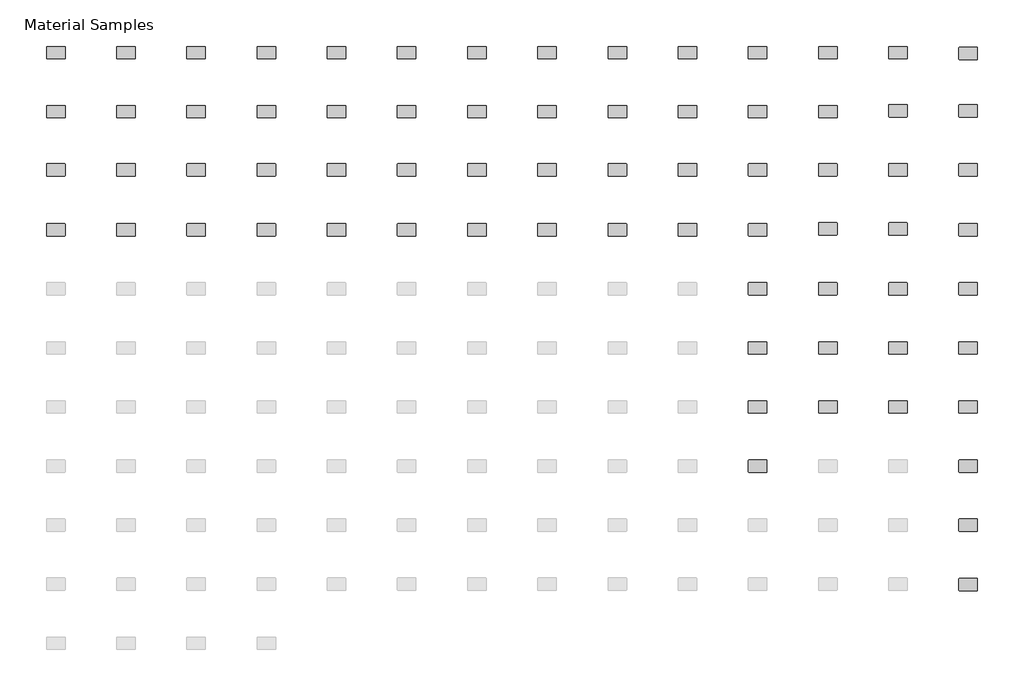
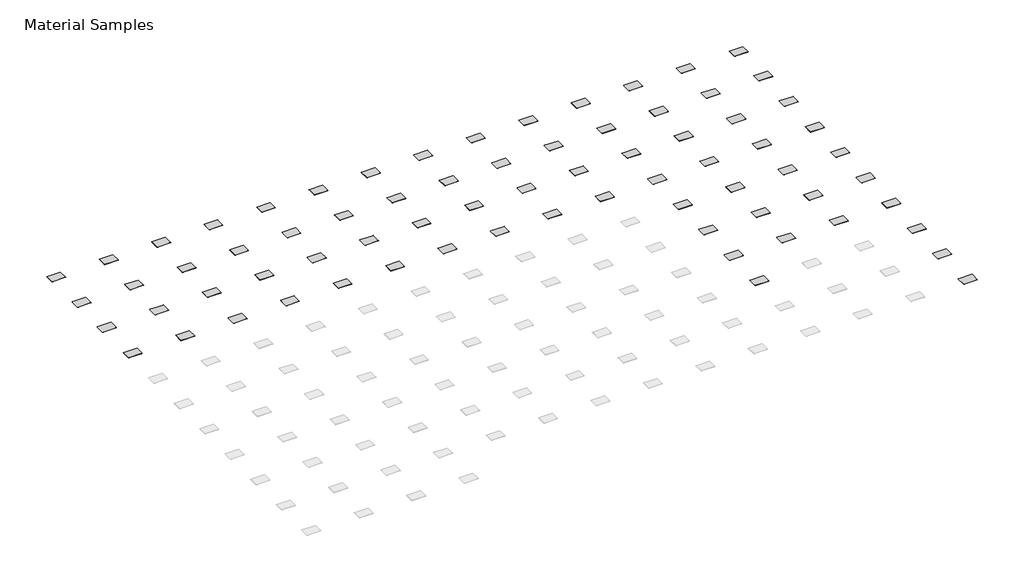
# One storey, part 2 of 2: 72 furniture elements.
"""IFC4 building model written with IfcOpenShell, lengths in millimetres."""

import ifcopenshell
import ifcopenshell.guid

model = None  # the IFC model being written
_history = None  # IfcOwnerHistory: only IFC2X3 demands one
_inside = {}  # id of a spatial element -> (the spatial element, [elements in it])
_under = {}  # id of a project, library or spatial element -> (it, [spatial elements below it])
_declared = {}  # id of a project -> (the project, [libraries it declares])
_typed = {}  # id of a type object -> (the type object, [elements of that type])
_made_of = {}  # id of a material, layer set ... -> (it, [elements and type objects made of it])


def new_model(schema):
    """Start an empty IFC model of exactly this schema.

    Asked for "IFC4X3", IfcOpenShell would pick the latest addendum, in which some entities
    have other attributes; the version numbers below select the first issue.
    IFC2X3 requires an IfcOwnerHistory on every rooted entity: one is made here for all.
    """
    global model, _history
    if schema == "IFC4X3":
        model = ifcopenshell.file(schema_version=(4, 3, 0, 0))
    else:
        model = ifcopenshell.file(schema=schema)
    _inside.clear()
    _under.clear()
    _declared.clear()
    _typed.clear()
    _made_of.clear()
    _history = None
    if model.schema == "IFC2X3":
        org = make("IfcOrganization", Name="unknown")
        user = make(
            "IfcPersonAndOrganization",
            ThePerson=make("IfcPerson", FamilyName="unknown"),
            TheOrganization=org,
        )
        app = make(
            "IfcApplication",
            ApplicationDeveloper=org,
            Version="unknown",
            ApplicationFullName="unknown",
            ApplicationIdentifier="unknown",
        )
        _history = make(
            "IfcOwnerHistory",
            OwningUser=user,
            OwningApplication=app,
            ChangeAction="ADDED",
            CreationDate=0,
        )
    return model


def make(cls, **values):
    """One entity of the class cls with the attributes given. An attribute that is None is left unset."""
    return model.create_entity(
        cls, **{name: value for name, value in values.items() if value is not None}
    )


def rooted(cls, **values):
    """An entity with a GlobalId (a new one), such as an element, a storey or a relation."""
    return make(cls, GlobalId=ifcopenshell.guid.new(), OwnerHistory=_history, **values)


def si_unit(unit_type, name, prefix=None):
    """IfcSIUnit, for example si_unit("LENGTHUNIT", "METRE", prefix="MILLI")."""
    return make("IfcSIUnit", UnitType=unit_type, Prefix=prefix, Name=name)


def assignment(units):
    """IfcUnitAssignment: the units of a project."""
    return None if units is None else make("IfcUnitAssignment", Units=units)


def point(xyz):
    """IfcCartesianPoint."""
    return None if xyz is None else make("IfcCartesianPoint", Coordinates=xyz)


def direction(xyz):
    """IfcDirection."""
    return None if xyz is None else make("IfcDirection", DirectionRatios=xyz)


def frame(location, z_axis=None, x_axis=None):
    """IfcAxis2Placement3D, a coordinate frame: its origin and axes. An axis left out is left unset."""
    return make(
        "IfcAxis2Placement3D",
        Location=point(location),
        Axis=direction(z_axis),
        RefDirection=direction(x_axis),
    )


def frame_2d(location, x_axis=None):
    """IfcAxis2Placement2D, a coordinate frame in the plane: its origin and x axis."""
    return make(
        "IfcAxis2Placement2D", Location=point(location), RefDirection=direction(x_axis)
    )


def origin():
    """The frame at (0, 0, 0) with its axes left unset."""
    return frame((0.0, 0.0, 0.0))


def place(relative_to, where):
    """IfcLocalPlacement: puts the frame where relative to a parent placement (None: the world)."""
    return make(
        "IfcLocalPlacement", PlacementRelTo=relative_to, RelativePlacement=where
    )


def context(
    kind, dimensions, precision=None, world=None, true_north=None, identifier=None
):
    """IfcGeometricRepresentationContext, for example the 3D "Model" context."""
    return make(
        "IfcGeometricRepresentationContext",
        ContextIdentifier=identifier,
        ContextType=kind,
        CoordinateSpaceDimension=dimensions,
        Precision=precision,
        WorldCoordinateSystem=world,
        TrueNorth=true_north,
    )


def project(units=None, contexts=None):
    """IfcProject with its units and contexts."""
    return rooted(
        "IfcProject",
        Name="project",
        RepresentationContexts=contexts,
        UnitsInContext=assignment(units),
    )


def spatial(cls, under=None, at=None, **own):
    """A site, building, storey or space (cls), placed at a placement, below another one or the project."""
    s = rooted(cls, ObjectPlacement=at, **own)
    if under is not None:
        _under.setdefault(under.id(), (under, []))[1].append(s)
    return s


def polyline(points):
    """IfcPolyline through the points."""
    return make("IfcPolyline", Points=[point(p) for p in points])


def circle_curve(where, radius):
    """IfcCircle in the frame where."""
    return make("IfcCircle", Position=where, Radius=radius)


def trimmed(basis, trim1, trim2, sense, master):
    """IfcTrimmedCurve: the piece of a basis curve between two trims."""
    return make(
        "IfcTrimmedCurve",
        BasisCurve=basis,
        Trim1=trim1,
        Trim2=trim2,
        SenseAgreement=sense,
        MasterRepresentation=master,
    )


def segment(curve, same_sense, transition):
    """IfcCompositeCurveSegment."""
    return make(
        "IfcCompositeCurveSegment",
        Transition=transition,
        SameSense=same_sense,
        ParentCurve=curve,
    )


def composite_curve(segments, self_intersect=None):
    """IfcCompositeCurve: segments joined end to end."""
    return make("IfcCompositeCurve", Segments=segments, SelfIntersect=self_intersect)


def outline(outer, holes=None, kind="AREA"):
    """IfcArbitraryClosedProfileDef: a profile drawn as a closed curve; with holes, ...WithVoids."""
    if holes is None:
        return make("IfcArbitraryClosedProfileDef", ProfileType=kind, OuterCurve=outer)
    return make(
        "IfcArbitraryProfileDefWithVoids",
        ProfileType=kind,
        OuterCurve=outer,
        InnerCurves=holes,
    )


def extrude(swept, where, along, depth):
    """IfcExtrudedAreaSolid: the profile swept, set in the frame where, extruded along a direction by depth."""
    return make(
        "IfcExtrudedAreaSolid",
        SweptArea=swept,
        Position=where,
        ExtrudedDirection=direction(along),
        Depth=depth,
    )


def shape(context_of_items, identifier, shape_type, items):
    """IfcShapeRepresentation: the items that make up one representation, for example the "Body"."""
    return make(
        "IfcShapeRepresentation",
        ContextOfItems=context_of_items,
        RepresentationIdentifier=identifier,
        RepresentationType=shape_type,
        Items=items,
    )


def source(mapping_origin, context_of_items, identifier, shape_type, items):
    """IfcRepresentationMap: a shape defined once, which mapped items show again and again."""
    return make(
        "IfcRepresentationMap",
        MappingOrigin=mapping_origin,
        MappedRepresentation=shape(context_of_items, identifier, shape_type, items),
    )


def transform(
    local_origin,
    x_axis=None,
    y_axis=None,
    z_axis=None,
    scale=None,
    scale2=None,
    scale3=None,
    uniform=True,
):
    """IfcCartesianTransformationOperator3D, or its non-uniform kind. x_axis, y_axis, z_axis: its Axis1, 2, 3."""
    if uniform:
        return make(
            "IfcCartesianTransformationOperator3D",
            Axis1=direction(x_axis),
            Axis2=direction(y_axis),
            LocalOrigin=point(local_origin),
            Scale=scale,
            Axis3=direction(z_axis),
        )
    return make(
        "IfcCartesianTransformationOperator3DnonUniform",
        Axis1=direction(x_axis),
        Axis2=direction(y_axis),
        LocalOrigin=point(local_origin),
        Scale=scale,
        Axis3=direction(z_axis),
        Scale2=scale2,
        Scale3=scale3,
    )


def mapped(mapping_source, mapping_target):
    """IfcMappedItem: shows the shape of a source again, moved by a transform."""
    return make(
        "IfcMappedItem", MappingSource=mapping_source, MappingTarget=mapping_target
    )


def made_of(thing, what):
    """Note that an element or type object is made of a material, layer set ...; save() writes the relation."""
    if what is not None:
        _made_of.setdefault(what.id(), (what, []))[1].append(thing)
    return thing


def element(
    cls,
    number,
    at=None,
    inside=None,
    cuts=None,
    type_object=None,
    material=None,
    context=None,
    identifier="Body",
    shape_type=None,
    held_by="IfcProductDefinitionShape",
    body=None,
    shapes=None,
    **own,
):
    """One element of the class cls, such as IfcWall. Its Tag is "e" and its number.

    at: its placement. inside: the storey or other place that contains it. cuts: it is an
    opening in that element (IfcRelVoidsElement). A single representation is given by context,
    identifier, shape_type and body (its items); several are given by shapes. held_by: the class
    of the entity that holds the representations. save() writes the other relations.
    """
    e = rooted(cls, Tag="e%d" % number, ObjectPlacement=at, **own)
    if body is not None:
        shapes = [shape(context, identifier, shape_type, body)]
    if shapes is not None:
        e.Representation = make(held_by, Representations=shapes)
    if inside is not None:
        _inside.setdefault(inside.id(), (inside, []))[1].append(e)
    if cuts is not None:
        rooted(
            "IfcRelVoidsElement", RelatingBuildingElement=cuts, RelatedOpeningElement=e
        )
    if type_object is not None:
        _typed.setdefault(type_object.id(), (type_object, []))[1].append(e)
    return made_of(e, material)


def aggregate(whole, parts):
    """IfcRelAggregates: a whole, such as a stair, and the parts it consists of."""
    return rooted("IfcRelAggregates", RelatingObject=whole, RelatedObjects=parts)


def save(model, path):
    """Write the relations noted so far, then the file.

    IfcRelAggregates (storeys below a building ...), IfcRelContainedInSpatialStructure (elements
    in a storey), IfcRelDefinesByType, IfcRelAssociatesMaterial and IfcRelDeclares: one each for
    every whole, place, type object, material and project.
    """
    for whole, parts in _under.values():
        aggregate(whole, parts)
    for where, things in _inside.values():
        rooted(
            "IfcRelContainedInSpatialStructure",
            RelatedElements=things,
            RelatingStructure=where,
        )
    for kind, things in _typed.values():
        rooted("IfcRelDefinesByType", RelatedObjects=things, RelatingType=kind)
    for what, things in _made_of.values():
        rooted("IfcRelAssociatesMaterial", RelatedObjects=things, RelatingMaterial=what)
    for by, libraries in _declared.values():
        rooted("IfcRelDeclares", RelatingContext=by, RelatedDefinitions=libraries)
    model.write(path)


def furniture_2008_material_sample3_2x3x1_8_96bf408c(model_context):
    return source(origin(), model_context, "Body", "SweptSolid", [
        extrude(outline(composite_curve([segment(trimmed(circle_curve(frame_2d((21215.2392185, 10811.8982463)), 6.35), [point((21215.2392185, 10818.2482463))], [point((21221.5892185, 10811.8982463))], False, "CARTESIAN"), True, "CONTINUOUS"), segment(polyline([(21221.5892185, 10811.8982463), (21221.5892185, 10570.5982463)]), True, "CONTINUOUS"), segment(trimmed(circle_curve(frame_2d((21215.2392185, 10570.5982463)), 6.35), [point((21221.5892185, 10570.5982463))], [point((21215.2392185, 10564.2482463))], False, "CARTESIAN"), True, "CONTINUOUS"), segment(polyline([(21215.2392185, 10564.2482463), (20846.9392185, 10564.2482463)]), True, "CONTINUOUS"), segment(trimmed(circle_curve(frame_2d((20846.9392185, 10570.5982463)), 6.35), [point((20846.9392185, 10564.2482463))], [point((20840.5892185, 10570.5982463))], False, "CARTESIAN"), True, "CONTINUOUS"), segment(polyline([(20840.5892185, 10570.5982463), (20840.5892185, 10811.8982463)]), True, "CONTINUOUS"), segment(trimmed(circle_curve(frame_2d((20846.9392185, 10811.8982463)), 6.35), [point((20840.5892185, 10811.8982463))], [point((20846.9392185, 10818.2482463))], False, "CARTESIAN"), True, "CONTINUOUS"), segment(polyline([(20846.9392185, 10818.2482463), (21215.2392185, 10818.2482463)]), True, "CONTINUOUS")], self_intersect=False)), frame((0.0, 0.0, -3.175), z_axis=(0.0, 0.0, 1.0), x_axis=(1.0, 0.0, 0.0)), (0.0, 0.0, 1.0), 3.175),
    ])


model = new_model("IFC4")

# Units and contexts
model_context = context("Model", 3, world=origin())
ifc_project = project(units=[si_unit("LENGTHUNIT", "METRE", prefix="MILLI")], contexts=[model_context])

# Site, building, storey
site = spatial("IfcSite", under=ifc_project)
building = spatial("IfcBuilding", under=site)
storey = spatial("IfcBuildingStorey", under=building, Name="Material Samples", Elevation=0.0)

# Furniture
placement = place(None, origin())
furniture_2008_material_sample3_2x3x1_8_shape = furniture_2008_material_sample3_2x3x1_8_96bf408c(model_context)
element("IfcFurniture", 1, ObjectType="2008_Material Sample3 : 2x3x1/8", at=placement, inside=storey, context=model_context, shape_type="MappedRepresentation", body=[
    mapped(furniture_2008_material_sample3_2x3x1_8_shape, transform((-41929.8143121, 3848.1724709, 25.4), x_axis=(1.0, 0.0, 0.0), y_axis=(0.0, 1.0, 0.0), z_axis=(0.0, 0.0, 1.0))),
])
element("IfcFurniture", 2, ObjectType="2008_Material Sample3 : 2x3x1/8", at=placement, inside=storey, context=model_context, shape_type="MappedRepresentation", body=[
    mapped(furniture_2008_material_sample3_2x3x1_8_shape, transform((-40482.0143121, 3848.1724709, 25.4), x_axis=(1.0, 0.0, 0.0), y_axis=(0.0, 1.0, 0.0), z_axis=(0.0, 0.0, 1.0))),
])
element("IfcFurniture", 3, ObjectType="2008_Material Sample3 : 2x3x1/8", at=placement, inside=storey, context=model_context, shape_type="MappedRepresentation", body=[
    mapped(furniture_2008_material_sample3_2x3x1_8_shape, transform((-39034.2143121, 3848.1724709, 25.4), x_axis=(1.0, 0.0, 0.0), y_axis=(0.0, 1.0, 0.0), z_axis=(0.0, 0.0, 1.0))),
])
element("IfcFurniture", 4, ObjectType="2008_Material Sample3 : 2x3x1/8", at=placement, inside=storey, context=model_context, shape_type="MappedRepresentation", body=[
    mapped(furniture_2008_material_sample3_2x3x1_8_shape, transform((-37586.4143121, 3848.1724709, 25.4), x_axis=(1.0, 0.0, 0.0), y_axis=(0.0, 1.0, 0.0), z_axis=(0.0, 0.0, 1.0))),
])
element("IfcFurniture", 5, ObjectType="2008_Material Sample3 : 2x3x1/8", at=placement, inside=storey, context=model_context, shape_type="MappedRepresentation", body=[
    mapped(furniture_2008_material_sample3_2x3x1_8_shape, transform((-36138.6143121, 3848.1724709, 25.4), x_axis=(1.0, 0.0, 0.0), y_axis=(0.0, 1.0, 0.0), z_axis=(0.0, 0.0, 1.0))),
])
element("IfcFurniture", 6, ObjectType="2008_Material Sample3 : 2x3x1/8", at=placement, inside=storey, context=model_context, shape_type="MappedRepresentation", body=[
    mapped(furniture_2008_material_sample3_2x3x1_8_shape, transform((-34690.8143121, 3848.1724709, 25.4), x_axis=(1.0, 0.0, 0.0), y_axis=(0.0, 1.0, 0.0), z_axis=(0.0, 0.0, 1.0))),
])
element("IfcFurniture", 7, ObjectType="2008_Material Sample3 : 2x3x1/8", at=placement, inside=storey, context=model_context, shape_type="MappedRepresentation", body=[
    mapped(furniture_2008_material_sample3_2x3x1_8_shape, transform((-33243.0143121, 3848.1724709, 25.4), x_axis=(1.0, 0.0, 0.0), y_axis=(0.0, 1.0, 0.0), z_axis=(0.0, 0.0, 1.0))),
])
element("IfcFurniture", 8, ObjectType="2008_Material Sample3 : 2x3x1/8", at=placement, inside=storey, context=model_context, shape_type="MappedRepresentation", body=[
    mapped(furniture_2008_material_sample3_2x3x1_8_shape, transform((-31795.2143121, 3848.1724709, 25.4), x_axis=(1.0, 0.0, 0.0), y_axis=(0.0, 1.0, 0.0), z_axis=(0.0, 0.0, 1.0))),
])
element("IfcFurniture", 9, ObjectType="2008_Material Sample3 : 2x3x1/8", at=placement, inside=storey, context=model_context, shape_type="MappedRepresentation", body=[
    mapped(furniture_2008_material_sample3_2x3x1_8_shape, transform((-30347.4143121, 3848.1724709, 25.4), x_axis=(1.0, 0.0, 0.0), y_axis=(0.0, 1.0, 0.0), z_axis=(0.0, 0.0, 1.0))),
])
element("IfcFurniture", 10, ObjectType="2008_Material Sample3 : 2x3x1/8", at=placement, inside=storey, context=model_context, shape_type="MappedRepresentation", body=[
    mapped(furniture_2008_material_sample3_2x3x1_8_shape, transform((-28899.6143121, 3848.1724709, 25.4), x_axis=(1.0, 0.0, 0.0), y_axis=(0.0, 1.0, 0.0), z_axis=(0.0, 0.0, 1.0))),
])
element("IfcFurniture", 11, ObjectType="2008_Material Sample3 : 2x3x1/8", at=placement, inside=storey, context=model_context, shape_type="MappedRepresentation", body=[
    mapped(furniture_2008_material_sample3_2x3x1_8_shape, transform((-27451.8143121, 3848.1724709, 25.4), x_axis=(1.0, 0.0, 0.0), y_axis=(0.0, 1.0, 0.0), z_axis=(0.0, 0.0, 1.0))),
])
element("IfcFurniture", 12, ObjectType="2008_Material Sample3 : 2x3x1/8", at=placement, inside=storey, context=model_context, shape_type="MappedRepresentation", body=[
    mapped(furniture_2008_material_sample3_2x3x1_8_shape, transform((-26004.0143121, 3848.1724709, 25.4), x_axis=(1.0, 0.0, 0.0), y_axis=(0.0, 1.0, 0.0), z_axis=(0.0, 0.0, 1.0))),
])
element("IfcFurniture", 13, ObjectType="2008_Material Sample3 : 2x3x1/8", at=placement, inside=storey, context=model_context, shape_type="MappedRepresentation", body=[
    mapped(furniture_2008_material_sample3_2x3x1_8_shape, transform((-24556.2143121, 3848.1724709, 25.4), x_axis=(1.0, 0.0, 0.0), y_axis=(0.0, 1.0, 0.0), z_axis=(0.0, 0.0, 1.0))),
])
element("IfcFurniture", 14, ObjectType="2008_Material Sample3 : 2x3x1/8", at=placement, inside=storey, context=model_context, shape_type="MappedRepresentation", body=[
    mapped(furniture_2008_material_sample3_2x3x1_8_shape, transform((-23108.4143121, 3829.1224709, 25.4), x_axis=(1.0, 0.0, 0.0), y_axis=(0.0, 1.0, 0.0), z_axis=(0.0, 0.0, 1.0))),
])
element("IfcFurniture", 15, ObjectType="2008_Material Sample3 : 2x3x1/8", at=placement, inside=storey, context=model_context, shape_type="MappedRepresentation", body=[
    mapped(furniture_2008_material_sample3_2x3x1_8_shape, transform((-41929.8143121, 2628.9724709, 25.4), x_axis=(1.0, 0.0, 0.0), y_axis=(0.0, 1.0, 0.0), z_axis=(0.0, 0.0, 1.0))),
])
element("IfcFurniture", 16, ObjectType="2008_Material Sample3 : 2x3x1/8", at=placement, inside=storey, context=model_context, shape_type="MappedRepresentation", body=[
    mapped(furniture_2008_material_sample3_2x3x1_8_shape, transform((-40482.0143121, 2628.9724709, 25.4), x_axis=(1.0, 0.0, 0.0), y_axis=(0.0, 1.0, 0.0), z_axis=(0.0, 0.0, 1.0))),
])
element("IfcFurniture", 17, ObjectType="2008_Material Sample3 : 2x3x1/8", at=placement, inside=storey, context=model_context, shape_type="MappedRepresentation", body=[
    mapped(furniture_2008_material_sample3_2x3x1_8_shape, transform((-39034.2143121, 2628.9724709, 25.4), x_axis=(1.0, 0.0, 0.0), y_axis=(0.0, 1.0, 0.0), z_axis=(0.0, 0.0, 1.0))),
])
element("IfcFurniture", 18, ObjectType="2008_Material Sample3 : 2x3x1/8", at=placement, inside=storey, context=model_context, shape_type="MappedRepresentation", body=[
    mapped(furniture_2008_material_sample3_2x3x1_8_shape, transform((-37586.4143121, 2628.9724709, 25.4), x_axis=(1.0, 0.0, 0.0), y_axis=(0.0, 1.0, 0.0), z_axis=(0.0, 0.0, 1.0))),
])
element("IfcFurniture", 19, ObjectType="2008_Material Sample3 : 2x3x1/8", at=placement, inside=storey, context=model_context, shape_type="MappedRepresentation", body=[
    mapped(furniture_2008_material_sample3_2x3x1_8_shape, transform((-36138.6143121, 2628.9724709, 25.4), x_axis=(1.0, 0.0, 0.0), y_axis=(0.0, 1.0, 0.0), z_axis=(0.0, 0.0, 1.0))),
])
element("IfcFurniture", 20, ObjectType="2008_Material Sample3 : 2x3x1/8", at=placement, inside=storey, context=model_context, shape_type="MappedRepresentation", body=[
    mapped(furniture_2008_material_sample3_2x3x1_8_shape, transform((-34690.8143121, 2628.9724709, 25.4), x_axis=(1.0, 0.0, 0.0), y_axis=(0.0, 1.0, 0.0), z_axis=(0.0, 0.0, 1.0))),
])
element("IfcFurniture", 21, ObjectType="2008_Material Sample3 : 2x3x1/8", at=placement, inside=storey, context=model_context, shape_type="MappedRepresentation", body=[
    mapped(furniture_2008_material_sample3_2x3x1_8_shape, transform((-33243.0143121, 2628.9724709, 25.4), x_axis=(1.0, 0.0, 0.0), y_axis=(0.0, 1.0, 0.0), z_axis=(0.0, 0.0, 1.0))),
])
element("IfcFurniture", 22, ObjectType="2008_Material Sample3 : 2x3x1/8", at=placement, inside=storey, context=model_context, shape_type="MappedRepresentation", body=[
    mapped(furniture_2008_material_sample3_2x3x1_8_shape, transform((-31795.2143121, 2628.9724709, 25.4), x_axis=(1.0, 0.0, 0.0), y_axis=(0.0, 1.0, 0.0), z_axis=(0.0, 0.0, 1.0))),
])
element("IfcFurniture", 23, ObjectType="2008_Material Sample3 : 2x3x1/8", at=placement, inside=storey, context=model_context, shape_type="MappedRepresentation", body=[
    mapped(furniture_2008_material_sample3_2x3x1_8_shape, transform((-30347.4143121, 2628.9724709, 25.4), x_axis=(1.0, 0.0, 0.0), y_axis=(0.0, 1.0, 0.0), z_axis=(0.0, 0.0, 1.0))),
])
element("IfcFurniture", 24, ObjectType="2008_Material Sample3 : 2x3x1/8", at=placement, inside=storey, context=model_context, shape_type="MappedRepresentation", body=[
    mapped(furniture_2008_material_sample3_2x3x1_8_shape, transform((-28899.6143121, 2628.9724709, 25.4), x_axis=(1.0, 0.0, 0.0), y_axis=(0.0, 1.0, 0.0), z_axis=(0.0, 0.0, 1.0))),
])
element("IfcFurniture", 25, ObjectType="2008_Material Sample3 : 2x3x1/8", at=placement, inside=storey, context=model_context, shape_type="MappedRepresentation", body=[
    mapped(furniture_2008_material_sample3_2x3x1_8_shape, transform((-27451.8143121, 2628.9724709, 25.4), x_axis=(1.0, 0.0, 0.0), y_axis=(0.0, 1.0, 0.0), z_axis=(0.0, 0.0, 1.0))),
])
element("IfcFurniture", 26, ObjectType="2008_Material Sample3 : 2x3x1/8", at=placement, inside=storey, context=model_context, shape_type="MappedRepresentation", body=[
    mapped(furniture_2008_material_sample3_2x3x1_8_shape, transform((-26004.0143121, 2628.9724709, 25.4), x_axis=(1.0, 0.0, 0.0), y_axis=(0.0, 1.0, 0.0), z_axis=(0.0, 0.0, 1.0))),
])
element("IfcFurniture", 27, ObjectType="2008_Material Sample3 : 2x3x1/8", at=placement, inside=storey, context=model_context, shape_type="MappedRepresentation", body=[
    mapped(furniture_2008_material_sample3_2x3x1_8_shape, transform((-24556.3250935, 2648.0224709, 25.4), x_axis=(1.0, 0.0, 0.0), y_axis=(0.0, 1.0, 0.0), z_axis=(0.0, 0.0, 1.0))),
])
element("IfcFurniture", 28, ObjectType="2008_Material Sample3 : 2x3x1/8", at=placement, inside=storey, context=model_context, shape_type="MappedRepresentation", body=[
    mapped(furniture_2008_material_sample3_2x3x1_8_shape, transform((-23108.5250935, 2648.0224709, 25.4), x_axis=(1.0, 0.0, 0.0), y_axis=(0.0, 1.0, 0.0), z_axis=(0.0, 0.0, 1.0))),
])
element("IfcFurniture", 29, ObjectType="2008_Material Sample3 : 2x3x1/8", at=placement, inside=storey, context=model_context, shape_type="MappedRepresentation", body=[
    mapped(furniture_2008_material_sample3_2x3x1_8_shape, transform((-41929.8143121, 1428.8224709, 25.4), x_axis=(1.0, 0.0, 0.0), y_axis=(0.0, 1.0, 0.0), z_axis=(0.0, 0.0, 1.0))),
])
element("IfcFurniture", 30, ObjectType="2008_Material Sample3 : 2x3x1/8", at=placement, inside=storey, context=model_context, shape_type="MappedRepresentation", body=[
    mapped(furniture_2008_material_sample3_2x3x1_8_shape, transform((-40482.0143121, 1428.8224709, 25.4), x_axis=(1.0, 0.0, 0.0), y_axis=(0.0, 1.0, 0.0), z_axis=(0.0, 0.0, 1.0))),
])
element("IfcFurniture", 31, ObjectType="2008_Material Sample3 : 2x3x1/8", at=placement, inside=storey, context=model_context, shape_type="MappedRepresentation", body=[
    mapped(furniture_2008_material_sample3_2x3x1_8_shape, transform((-39034.2143121, 1428.8224709, 25.4), x_axis=(1.0, 0.0, 0.0), y_axis=(0.0, 1.0, 0.0), z_axis=(0.0, 0.0, 1.0))),
])
element("IfcFurniture", 32, ObjectType="2008_Material Sample3 : 2x3x1/8", at=placement, inside=storey, context=model_context, shape_type="MappedRepresentation", body=[
    mapped(furniture_2008_material_sample3_2x3x1_8_shape, transform((-37586.4143121, 1428.8224709, 25.4), x_axis=(1.0, 0.0, 0.0), y_axis=(0.0, 1.0, 0.0), z_axis=(0.0, 0.0, 1.0))),
])
element("IfcFurniture", 33, ObjectType="2008_Material Sample3 : 2x3x1/8", at=placement, inside=storey, context=model_context, shape_type="MappedRepresentation", body=[
    mapped(furniture_2008_material_sample3_2x3x1_8_shape, transform((-36138.6143121, 1428.8224709, 25.4), x_axis=(1.0, 0.0, 0.0), y_axis=(0.0, 1.0, 0.0), z_axis=(0.0, 0.0, 1.0))),
])
element("IfcFurniture", 34, ObjectType="2008_Material Sample3 : 2x3x1/8", at=placement, inside=storey, context=model_context, shape_type="MappedRepresentation", body=[
    mapped(furniture_2008_material_sample3_2x3x1_8_shape, transform((-34690.8143121, 1428.8224709, 25.4), x_axis=(1.0, 0.0, 0.0), y_axis=(0.0, 1.0, 0.0), z_axis=(0.0, 0.0, 1.0))),
])
element("IfcFurniture", 35, ObjectType="2008_Material Sample3 : 2x3x1/8", at=placement, inside=storey, context=model_context, shape_type="MappedRepresentation", body=[
    mapped(furniture_2008_material_sample3_2x3x1_8_shape, transform((-33243.0143121, 1428.8224709, 25.4), x_axis=(1.0, 0.0, 0.0), y_axis=(0.0, 1.0, 0.0), z_axis=(0.0, 0.0, 1.0))),
])
element("IfcFurniture", 36, ObjectType="2008_Material Sample3 : 2x3x1/8", at=placement, inside=storey, context=model_context, shape_type="MappedRepresentation", body=[
    mapped(furniture_2008_material_sample3_2x3x1_8_shape, transform((-31795.2143121, 1428.8224709, 25.4), x_axis=(1.0, 0.0, 0.0), y_axis=(0.0, 1.0, 0.0), z_axis=(0.0, 0.0, 1.0))),
])
element("IfcFurniture", 37, ObjectType="2008_Material Sample3 : 2x3x1/8", at=placement, inside=storey, context=model_context, shape_type="MappedRepresentation", body=[
    mapped(furniture_2008_material_sample3_2x3x1_8_shape, transform((-30347.4143121, 1428.8224709, 25.4), x_axis=(1.0, 0.0, 0.0), y_axis=(0.0, 1.0, 0.0), z_axis=(0.0, 0.0, 1.0))),
])
element("IfcFurniture", 38, ObjectType="2008_Material Sample3 : 2x3x1/8", at=placement, inside=storey, context=model_context, shape_type="MappedRepresentation", body=[
    mapped(furniture_2008_material_sample3_2x3x1_8_shape, transform((-28899.6143121, 1428.8224709, 25.4), x_axis=(1.0, 0.0, 0.0), y_axis=(0.0, 1.0, 0.0), z_axis=(0.0, 0.0, 1.0))),
])
element("IfcFurniture", 39, ObjectType="2008_Material Sample3 : 2x3x1/8", at=placement, inside=storey, context=model_context, shape_type="MappedRepresentation", body=[
    mapped(furniture_2008_material_sample3_2x3x1_8_shape, transform((-26004.0143121, 1428.8224709, 25.4), x_axis=(1.0, 0.0, 0.0), y_axis=(0.0, 1.0, 0.0), z_axis=(0.0, 0.0, 1.0))),
])
element("IfcFurniture", 40, ObjectType="2008_Material Sample3 : 2x3x1/8", at=placement, inside=storey, context=model_context, shape_type="MappedRepresentation", body=[
    mapped(furniture_2008_material_sample3_2x3x1_8_shape, transform((-24556.2143121, 1428.8224709, 25.4), x_axis=(1.0, 0.0, 0.0), y_axis=(0.0, 1.0, 0.0), z_axis=(0.0, 0.0, 1.0))),
])
element("IfcFurniture", 41, ObjectType="2008_Material Sample3 : 2x3x1/8", at=placement, inside=storey, context=model_context, shape_type="MappedRepresentation", body=[
    mapped(furniture_2008_material_sample3_2x3x1_8_shape, transform((-23108.4143121, 1428.8224709, 25.4), x_axis=(1.0, 0.0, 0.0), y_axis=(0.0, 1.0, 0.0), z_axis=(0.0, 0.0, 1.0))),
])
element("IfcFurniture", 42, ObjectType="2008_Material Sample3 : 2x3x1/8", at=placement, inside=storey, context=model_context, shape_type="MappedRepresentation", body=[
    mapped(furniture_2008_material_sample3_2x3x1_8_shape, transform((-41929.8143121, 190.5724709, 25.4), x_axis=(1.0, 0.0, 0.0), y_axis=(0.0, 1.0, 0.0), z_axis=(0.0, 0.0, 1.0))),
])
element("IfcFurniture", 43, ObjectType="2008_Material Sample3 : 2x3x1/8", at=placement, inside=storey, context=model_context, shape_type="MappedRepresentation", body=[
    mapped(furniture_2008_material_sample3_2x3x1_8_shape, transform((-40482.0143121, 190.5724709, 25.4), x_axis=(1.0, 0.0, 0.0), y_axis=(0.0, 1.0, 0.0), z_axis=(0.0, 0.0, 1.0))),
])
element("IfcFurniture", 44, ObjectType="2008_Material Sample3 : 2x3x1/8", at=placement, inside=storey, context=model_context, shape_type="MappedRepresentation", body=[
    mapped(furniture_2008_material_sample3_2x3x1_8_shape, transform((-39034.2143121, 190.5724709, 25.4), x_axis=(1.0, 0.0, 0.0), y_axis=(0.0, 1.0, 0.0), z_axis=(0.0, 0.0, 1.0))),
])
element("IfcFurniture", 45, ObjectType="2008_Material Sample3 : 2x3x1/8", at=placement, inside=storey, context=model_context, shape_type="MappedRepresentation", body=[
    mapped(furniture_2008_material_sample3_2x3x1_8_shape, transform((-37586.4143121, 190.5724709, 25.4), x_axis=(1.0, 0.0, 0.0), y_axis=(0.0, 1.0, 0.0), z_axis=(0.0, 0.0, 1.0))),
])
element("IfcFurniture", 46, ObjectType="2008_Material Sample3 : 2x3x1/8", at=placement, inside=storey, context=model_context, shape_type="MappedRepresentation", body=[
    mapped(furniture_2008_material_sample3_2x3x1_8_shape, transform((-36138.6143121, 190.5724709, 25.4), x_axis=(1.0, 0.0, 0.0), y_axis=(0.0, 1.0, 0.0), z_axis=(0.0, 0.0, 1.0))),
])
element("IfcFurniture", 47, ObjectType="2008_Material Sample3 : 2x3x1/8", at=placement, inside=storey, context=model_context, shape_type="MappedRepresentation", body=[
    mapped(furniture_2008_material_sample3_2x3x1_8_shape, transform((-34690.8143121, 190.5724709, 25.4), x_axis=(1.0, 0.0, 0.0), y_axis=(0.0, 1.0, 0.0), z_axis=(0.0, 0.0, 1.0))),
])
element("IfcFurniture", 48, ObjectType="2008_Material Sample3 : 2x3x1/8", at=placement, inside=storey, context=model_context, shape_type="MappedRepresentation", body=[
    mapped(furniture_2008_material_sample3_2x3x1_8_shape, transform((-33243.0143121, 190.5724709, 25.4), x_axis=(1.0, 0.0, 0.0), y_axis=(0.0, 1.0, 0.0), z_axis=(0.0, 0.0, 1.0))),
])
element("IfcFurniture", 49, ObjectType="2008_Material Sample3 : 2x3x1/8", at=placement, inside=storey, context=model_context, shape_type="MappedRepresentation", body=[
    mapped(furniture_2008_material_sample3_2x3x1_8_shape, transform((-31795.2143121, 190.5724709, 25.4), x_axis=(1.0, 0.0, 0.0), y_axis=(0.0, 1.0, 0.0), z_axis=(0.0, 0.0, 1.0))),
])
element("IfcFurniture", 50, ObjectType="2008_Material Sample3 : 2x3x1/8", at=placement, inside=storey, context=model_context, shape_type="MappedRepresentation", body=[
    mapped(furniture_2008_material_sample3_2x3x1_8_shape, transform((-30347.4143121, 190.5724709, 25.4), x_axis=(1.0, 0.0, 0.0), y_axis=(0.0, 1.0, 0.0), z_axis=(0.0, 0.0, 1.0))),
])
element("IfcFurniture", 51, ObjectType="2008_Material Sample3 : 2x3x1/8", at=placement, inside=storey, context=model_context, shape_type="MappedRepresentation", body=[
    mapped(furniture_2008_material_sample3_2x3x1_8_shape, transform((-28899.6143121, 190.5724709, 25.4), x_axis=(1.0, 0.0, 0.0), y_axis=(0.0, 1.0, 0.0), z_axis=(0.0, 0.0, 1.0))),
])
element("IfcFurniture", 52, ObjectType="2008_Material Sample3 : 2x3x1/8", at=placement, inside=storey, context=model_context, shape_type="MappedRepresentation", body=[
    mapped(furniture_2008_material_sample3_2x3x1_8_shape, transform((-27451.8143121, 190.5724709, 25.4), x_axis=(1.0, 0.0, 0.0), y_axis=(0.0, 1.0, 0.0), z_axis=(0.0, 0.0, 1.0))),
])
element("IfcFurniture", 53, ObjectType="2008_Material Sample3 : 2x3x1/8", at=placement, inside=storey, context=model_context, shape_type="MappedRepresentation", body=[
    mapped(furniture_2008_material_sample3_2x3x1_8_shape, transform((-26004.0143121, 209.6224709, 25.4), x_axis=(1.0, 0.0, 0.0), y_axis=(0.0, 1.0, 0.0), z_axis=(0.0, 0.0, 1.0))),
])
element("IfcFurniture", 54, ObjectType="2008_Material Sample3 : 2x3x1/8", at=placement, inside=storey, context=model_context, shape_type="MappedRepresentation", body=[
    mapped(furniture_2008_material_sample3_2x3x1_8_shape, transform((-24556.2143121, 209.6224709, 25.4), x_axis=(1.0, 0.0, 0.0), y_axis=(0.0, 1.0, 0.0), z_axis=(0.0, 0.0, 1.0))),
])
element("IfcFurniture", 55, ObjectType="2008_Material Sample3 : 2x3x1/8", at=placement, inside=storey, context=model_context, shape_type="MappedRepresentation", body=[
    mapped(furniture_2008_material_sample3_2x3x1_8_shape, transform((-23108.3035306, 190.5724709, 25.4), x_axis=(1.0, 0.0, 0.0), y_axis=(0.0, 1.0, 0.0), z_axis=(0.0, 0.0, 1.0))),
])
element("IfcFurniture", 56, ObjectType="2008_Material Sample3 : 2x3x1/8", at=placement, inside=storey, context=model_context, shape_type="MappedRepresentation", body=[
    mapped(furniture_2008_material_sample3_2x3x1_8_shape, transform((-27451.8143121, -1028.6275291, 25.4), x_axis=(1.0, 0.0, 0.0), y_axis=(0.0, 1.0, 0.0), z_axis=(0.0, 0.0, 1.0))),
])
element("IfcFurniture", 57, ObjectType="2008_Material Sample3 : 2x3x1/8", at=placement, inside=storey, context=model_context, shape_type="MappedRepresentation", body=[
    mapped(furniture_2008_material_sample3_2x3x1_8_shape, transform((-26004.0143121, -1028.6275291, 25.4), x_axis=(1.0, 0.0, 0.0), y_axis=(0.0, 1.0, 0.0), z_axis=(0.0, 0.0, 1.0))),
])
element("IfcFurniture", 58, ObjectType="2008_Material Sample3 : 2x3x1/8", at=placement, inside=storey, context=model_context, shape_type="MappedRepresentation", body=[
    mapped(furniture_2008_material_sample3_2x3x1_8_shape, transform((-24556.2143121, -1028.6275291, 25.4), x_axis=(1.0, 0.0, 0.0), y_axis=(0.0, 1.0, 0.0), z_axis=(0.0, 0.0, 1.0))),
])
element("IfcFurniture", 59, ObjectType="2008_Material Sample3 : 2x3x1/8", at=placement, inside=storey, context=model_context, shape_type="MappedRepresentation", body=[
    mapped(furniture_2008_material_sample3_2x3x1_8_shape, transform((-23108.4143121, -1028.6275291, 25.4), x_axis=(1.0, 0.0, 0.0), y_axis=(0.0, 1.0, 0.0), z_axis=(0.0, 0.0, 1.0))),
])
element("IfcFurniture", 60, ObjectType="2008_Material Sample3 : 2x3x1/8", at=placement, inside=storey, context=model_context, shape_type="MappedRepresentation", body=[
    mapped(furniture_2008_material_sample3_2x3x1_8_shape, transform((-26004.0143121, -2247.8275291, 25.4), x_axis=(1.0, 0.0, 0.0), y_axis=(0.0, 1.0, 0.0), z_axis=(0.0, 0.0, 1.0))),
])
element("IfcFurniture", 61, ObjectType="2008_Material Sample3 : 2x3x1/8", at=placement, inside=storey, context=model_context, shape_type="MappedRepresentation", body=[
    mapped(furniture_2008_material_sample3_2x3x1_8_shape, transform((-24556.2143121, -2247.8275291, 25.4), x_axis=(1.0, 0.0, 0.0), y_axis=(0.0, 1.0, 0.0), z_axis=(0.0, 0.0, 1.0))),
])
element("IfcFurniture", 62, ObjectType="2008_Material Sample3 : 2x3x1/8", at=placement, inside=storey, context=model_context, shape_type="MappedRepresentation", body=[
    mapped(furniture_2008_material_sample3_2x3x1_8_shape, transform((-23108.4143121, -2247.8275291, 25.4), x_axis=(1.0, 0.0, 0.0), y_axis=(0.0, 1.0, 0.0), z_axis=(0.0, 0.0, 1.0))),
])
element("IfcFurniture", 63, ObjectType="2008_Material Sample3 : 2x3x1/8", at=placement, inside=storey, context=model_context, shape_type="MappedRepresentation", body=[
    mapped(furniture_2008_material_sample3_2x3x1_8_shape, transform((-27451.8143121, -3467.0275291, 25.4), x_axis=(1.0, 0.0, 0.0), y_axis=(0.0, 1.0, 0.0), z_axis=(0.0, 0.0, 1.0))),
])
element("IfcFurniture", 64, ObjectType="2008_Material Sample3 : 2x3x1/8", at=placement, inside=storey, context=model_context, shape_type="MappedRepresentation", body=[
    mapped(furniture_2008_material_sample3_2x3x1_8_shape, transform((-26004.0143121, -3467.0275291, 25.4), x_axis=(1.0, 0.0, 0.0), y_axis=(0.0, 1.0, 0.0), z_axis=(0.0, 0.0, 1.0))),
])
element("IfcFurniture", 65, ObjectType="2008_Material Sample3 : 2x3x1/8", at=placement, inside=storey, context=model_context, shape_type="MappedRepresentation", body=[
    mapped(furniture_2008_material_sample3_2x3x1_8_shape, transform((-24556.1035306, -3467.0275291, 25.4), x_axis=(1.0, 0.0, 0.0), y_axis=(0.0, 1.0, 0.0), z_axis=(0.0, 0.0, 1.0))),
])
element("IfcFurniture", 66, ObjectType="2008_Material Sample3 : 2x3x1/8", at=placement, inside=storey, context=model_context, shape_type="MappedRepresentation", body=[
    mapped(furniture_2008_material_sample3_2x3x1_8_shape, transform((-23108.3035306, -3467.0275291, 25.4), x_axis=(1.0, 0.0, 0.0), y_axis=(0.0, 1.0, 0.0), z_axis=(0.0, 0.0, 1.0))),
])
element("IfcFurniture", 67, ObjectType="2008_Material Sample3 : 2x3x1/8", at=placement, inside=storey, context=model_context, shape_type="MappedRepresentation", body=[
    mapped(furniture_2008_material_sample3_2x3x1_8_shape, transform((-23108.4143121, -4686.2275291, 25.4), x_axis=(1.0, 0.0, 0.0), y_axis=(0.0, 1.0, 0.0), z_axis=(0.0, 0.0, 1.0))),
])
element("IfcFurniture", 68, ObjectType="2008_Material Sample3 : 2x3x1/8", at=placement, inside=storey, context=model_context, shape_type="MappedRepresentation", body=[
    mapped(furniture_2008_material_sample3_2x3x1_8_shape, transform((-23108.4143121, -5905.4275291, 25.4), x_axis=(1.0, 0.0, 0.0), y_axis=(0.0, 1.0, 0.0), z_axis=(0.0, 0.0, 1.0))),
])
element("IfcFurniture", 69, ObjectType="2008_Material Sample3 : 2x3x1/8", at=placement, inside=storey, context=model_context, shape_type="MappedRepresentation", body=[
    mapped(furniture_2008_material_sample3_2x3x1_8_shape, transform((-23108.3035306, -7130.9775291, 25.4), x_axis=(1.0, 0.0, 0.0), y_axis=(0.0, 1.0, 0.0), z_axis=(0.0, 0.0, 1.0))),
])
element("IfcFurniture", 70, ObjectType="2008_Material Sample3 : 2x3x1/8", at=placement, inside=storey, context=model_context, shape_type="MappedRepresentation", body=[
    mapped(furniture_2008_material_sample3_2x3x1_8_shape, transform((-27451.8143121, 1428.8224709, 25.4), x_axis=(1.0, 0.0, 0.0), y_axis=(0.0, 1.0, 0.0), z_axis=(0.0, 0.0, 1.0))),
])
element("IfcFurniture", 71, ObjectType="2008_Material Sample3 : 2x3x1/8", at=placement, inside=storey, context=model_context, shape_type="MappedRepresentation", body=[
    mapped(furniture_2008_material_sample3_2x3x1_8_shape, transform((-27451.8143121, -2247.8275291, 25.4), x_axis=(1.0, 0.0, 0.0), y_axis=(0.0, 1.0, 0.0), z_axis=(0.0, 0.0, 1.0))),
])
element("IfcFurniture", 72, ObjectType="2008_Material Sample3 : 2x3x1/8", at=placement, inside=storey, context=model_context, shape_type="MappedRepresentation", body=[
    mapped(furniture_2008_material_sample3_2x3x1_8_shape, transform((14610.5856879, 16696.2689634, 25.4), x_axis=(-1.0, 0.0, 0.0), y_axis=(0.0, -1.0, 0.0), z_axis=(0.0, 0.0, 1.0))),
])

save(model, "model.ifc")
